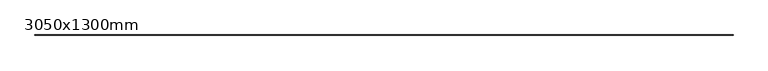
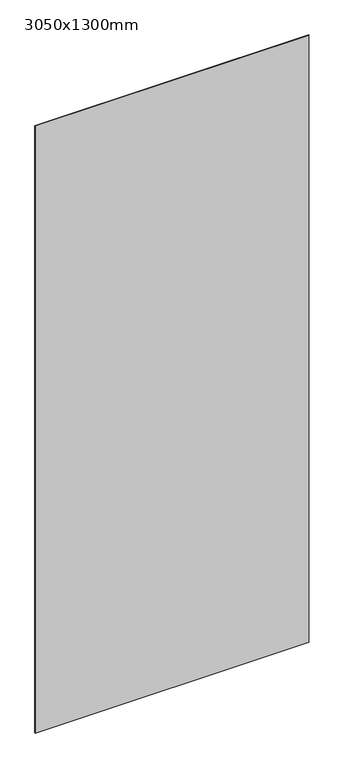
"""IFC4 building model written with IfcOpenShell, lengths in millimetres: furniture geometry, 3050x1300mm."""

import ifcopenshell
import ifcopenshell.guid

model = None  # the IFC model being written
_history = None  # IfcOwnerHistory: only IFC2X3 demands one
_inside = {}  # id of a spatial element -> (the spatial element, [elements in it])
_under = {}  # id of a project, library or spatial element -> (it, [spatial elements below it])
_declared = {}  # id of a project -> (the project, [libraries it declares])
_typed = {}  # id of a type object -> (the type object, [elements of that type])
_made_of = {}  # id of a material, layer set ... -> (it, [elements and type objects made of it])


def new_model(schema):
    """Start an empty IFC model of exactly this schema.

    Asked for "IFC4X3", IfcOpenShell would pick the latest addendum, in which some entities
    have other attributes; the version numbers below select the first issue.
    IFC2X3 requires an IfcOwnerHistory on every rooted entity: one is made here for all.
    """
    global model, _history
    if schema == "IFC4X3":
        model = ifcopenshell.file(schema_version=(4, 3, 0, 0))
    else:
        model = ifcopenshell.file(schema=schema)
    _inside.clear()
    _under.clear()
    _declared.clear()
    _typed.clear()
    _made_of.clear()
    _history = None
    if model.schema == "IFC2X3":
        org = make("IfcOrganization", Name="unknown")
        user = make(
            "IfcPersonAndOrganization",
            ThePerson=make("IfcPerson", FamilyName="unknown"),
            TheOrganization=org,
        )
        app = make(
            "IfcApplication",
            ApplicationDeveloper=org,
            Version="unknown",
            ApplicationFullName="unknown",
            ApplicationIdentifier="unknown",
        )
        _history = make(
            "IfcOwnerHistory",
            OwningUser=user,
            OwningApplication=app,
            ChangeAction="ADDED",
            CreationDate=0,
        )
    return model


def make(cls, **values):
    """One entity of the class cls with the attributes given. An attribute that is None is left unset."""
    return model.create_entity(
        cls, **{name: value for name, value in values.items() if value is not None}
    )


def rooted(cls, **values):
    """An entity with a GlobalId (a new one), such as an element, a storey or a relation."""
    return make(cls, GlobalId=ifcopenshell.guid.new(), OwnerHistory=_history, **values)


def si_unit(unit_type, name, prefix=None):
    """IfcSIUnit, for example si_unit("LENGTHUNIT", "METRE", prefix="MILLI")."""
    return make("IfcSIUnit", UnitType=unit_type, Prefix=prefix, Name=name)


def assignment(units):
    """IfcUnitAssignment: the units of a project."""
    return None if units is None else make("IfcUnitAssignment", Units=units)


def point(xyz):
    """IfcCartesianPoint."""
    return None if xyz is None else make("IfcCartesianPoint", Coordinates=xyz)


def direction(xyz):
    """IfcDirection."""
    return None if xyz is None else make("IfcDirection", DirectionRatios=xyz)


def frame(location, z_axis=None, x_axis=None):
    """IfcAxis2Placement3D, a coordinate frame: its origin and axes. An axis left out is left unset."""
    return make(
        "IfcAxis2Placement3D",
        Location=point(location),
        Axis=direction(z_axis),
        RefDirection=direction(x_axis),
    )


def origin():
    """The frame at (0, 0, 0) with its axes left unset."""
    return frame((0.0, 0.0, 0.0))


def origin_with_axes():
    """The frame at (0, 0, 0) with the z axis (0, 0, 1) and the x axis (1, 0, 0) written out."""
    return frame((0.0, 0.0, 0.0), z_axis=(0.0, 0.0, 1.0), x_axis=(1.0, 0.0, 0.0))


def place(relative_to, where):
    """IfcLocalPlacement: puts the frame where relative to a parent placement (None: the world)."""
    return make(
        "IfcLocalPlacement", PlacementRelTo=relative_to, RelativePlacement=where
    )


def context(
    kind, dimensions, precision=None, world=None, true_north=None, identifier=None
):
    """IfcGeometricRepresentationContext, for example the 3D "Model" context."""
    return make(
        "IfcGeometricRepresentationContext",
        ContextIdentifier=identifier,
        ContextType=kind,
        CoordinateSpaceDimension=dimensions,
        Precision=precision,
        WorldCoordinateSystem=world,
        TrueNorth=true_north,
    )


def project(units=None, contexts=None):
    """IfcProject with its units and contexts."""
    return rooted(
        "IfcProject",
        Name="project",
        RepresentationContexts=contexts,
        UnitsInContext=assignment(units),
    )


def spatial(cls, under=None, at=None, **own):
    """A site, building, storey or space (cls), placed at a placement, below another one or the project."""
    s = rooted(cls, ObjectPlacement=at, **own)
    if under is not None:
        _under.setdefault(under.id(), (under, []))[1].append(s)
    return s


def polyline(points):
    """IfcPolyline through the points."""
    return make("IfcPolyline", Points=[point(p) for p in points])


def outline(outer, holes=None, kind="AREA"):
    """IfcArbitraryClosedProfileDef: a profile drawn as a closed curve; with holes, ...WithVoids."""
    if holes is None:
        return make("IfcArbitraryClosedProfileDef", ProfileType=kind, OuterCurve=outer)
    return make(
        "IfcArbitraryProfileDefWithVoids",
        ProfileType=kind,
        OuterCurve=outer,
        InnerCurves=holes,
    )


def extrude(swept, where, along, depth):
    """IfcExtrudedAreaSolid: the profile swept, set in the frame where, extruded along a direction by depth."""
    return make(
        "IfcExtrudedAreaSolid",
        SweptArea=swept,
        Position=where,
        ExtrudedDirection=direction(along),
        Depth=depth,
    )


def shape(context_of_items, identifier, shape_type, items):
    """IfcShapeRepresentation: the items that make up one representation, for example the "Body"."""
    return make(
        "IfcShapeRepresentation",
        ContextOfItems=context_of_items,
        RepresentationIdentifier=identifier,
        RepresentationType=shape_type,
        Items=items,
    )


def source(mapping_origin, context_of_items, identifier, shape_type, items):
    """IfcRepresentationMap: a shape defined once, which mapped items show again and again."""
    return make(
        "IfcRepresentationMap",
        MappingOrigin=mapping_origin,
        MappedRepresentation=shape(context_of_items, identifier, shape_type, items),
    )


def transform(
    local_origin,
    x_axis=None,
    y_axis=None,
    z_axis=None,
    scale=None,
    scale2=None,
    scale3=None,
    uniform=True,
):
    """IfcCartesianTransformationOperator3D, or its non-uniform kind. x_axis, y_axis, z_axis: its Axis1, 2, 3."""
    if uniform:
        return make(
            "IfcCartesianTransformationOperator3D",
            Axis1=direction(x_axis),
            Axis2=direction(y_axis),
            LocalOrigin=point(local_origin),
            Scale=scale,
            Axis3=direction(z_axis),
        )
    return make(
        "IfcCartesianTransformationOperator3DnonUniform",
        Axis1=direction(x_axis),
        Axis2=direction(y_axis),
        LocalOrigin=point(local_origin),
        Scale=scale,
        Axis3=direction(z_axis),
        Scale2=scale2,
        Scale3=scale3,
    )


def mapped(mapping_source, mapping_target):
    """IfcMappedItem: shows the shape of a source again, moved by a transform."""
    return make(
        "IfcMappedItem", MappingSource=mapping_source, MappingTarget=mapping_target
    )


def made_of(thing, what):
    """Note that an element or type object is made of a material, layer set ...; save() writes the relation."""
    if what is not None:
        _made_of.setdefault(what.id(), (what, []))[1].append(thing)
    return thing


def element(
    cls,
    number,
    at=None,
    inside=None,
    cuts=None,
    type_object=None,
    material=None,
    context=None,
    identifier="Body",
    shape_type=None,
    held_by="IfcProductDefinitionShape",
    body=None,
    shapes=None,
    **own,
):
    """One element of the class cls, such as IfcWall. Its Tag is "e" and its number.

    at: its placement. inside: the storey or other place that contains it. cuts: it is an
    opening in that element (IfcRelVoidsElement). A single representation is given by context,
    identifier, shape_type and body (its items); several are given by shapes. held_by: the class
    of the entity that holds the representations. save() writes the other relations.
    """
    e = rooted(cls, Tag="e%d" % number, ObjectPlacement=at, **own)
    if body is not None:
        shapes = [shape(context, identifier, shape_type, body)]
    if shapes is not None:
        e.Representation = make(held_by, Representations=shapes)
    if inside is not None:
        _inside.setdefault(inside.id(), (inside, []))[1].append(e)
    if cuts is not None:
        rooted(
            "IfcRelVoidsElement", RelatingBuildingElement=cuts, RelatedOpeningElement=e
        )
    if type_object is not None:
        _typed.setdefault(type_object.id(), (type_object, []))[1].append(e)
    return made_of(e, material)


def aggregate(whole, parts):
    """IfcRelAggregates: a whole, such as a stair, and the parts it consists of."""
    return rooted("IfcRelAggregates", RelatingObject=whole, RelatedObjects=parts)


def save(model, path):
    """Write the relations noted so far, then the file.

    IfcRelAggregates (storeys below a building ...), IfcRelContainedInSpatialStructure (elements
    in a storey), IfcRelDefinesByType, IfcRelAssociatesMaterial and IfcRelDeclares: one each for
    every whole, place, type object, material and project.
    """
    for whole, parts in _under.values():
        aggregate(whole, parts)
    for where, things in _inside.values():
        rooted(
            "IfcRelContainedInSpatialStructure",
            RelatedElements=things,
            RelatingStructure=where,
        )
    for kind, things in _typed.values():
        rooted("IfcRelDefinesByType", RelatedObjects=things, RelatingType=kind)
    for what, things in _made_of.values():
        rooted("IfcRelAssociatesMaterial", RelatedObjects=things, RelatingMaterial=what)
    for by, libraries in _declared.values():
        rooted("IfcRelDeclares", RelatingContext=by, RelatedDefinitions=libraries)
    model.write(path)


def furniture_3050x1300mm_a016660d(model_context):
    return source(origin(), model_context, "Body", "SweptSolid", [
        extrude(outline(polyline([(650.0, -0.8), (-650.0, -0.8), (-650.0, 0.0), (650.0, 0.0), (650.0, -0.8)])), origin_with_axes(), (0.0, 0.0, 1.0), 3050.0),
    ])


if __name__ == "__main__":
    model = new_model("IFC4")
    model_context = context("Model", 3, world=origin())
    ifc_project = project(units=[si_unit("LENGTHUNIT", "METRE", prefix="MILLI")], contexts=[model_context])
    site = spatial("IfcSite", under=ifc_project)
    building = spatial("IfcBuilding", under=site)
    placement = place(None, origin())
    furniture_3050x1300mm_shape = furniture_3050x1300mm_a016660d(model_context)
    element("IfcFurniture", 1, ObjectType="3050x1300mm", at=placement, inside=building, context=model_context, shape_type="MappedRepresentation", body=[
        mapped(furniture_3050x1300mm_shape, transform((0.0, 0.0, 0.0), x_axis=(1.0, 0.0, 0.0), y_axis=(0.0, 1.0, 0.0), z_axis=(0.0, 0.0, 1.0))),
    ])
    save(model, "model.ifc")
